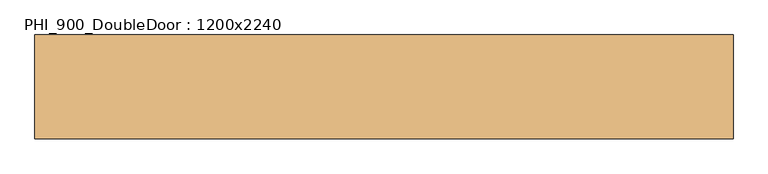
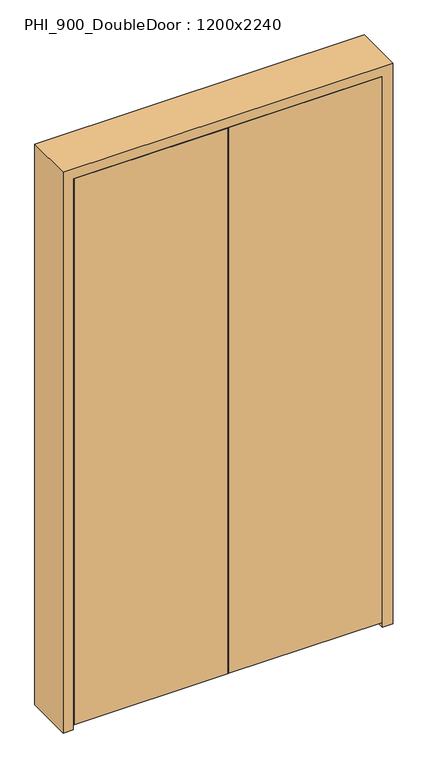
"""IFC4 building model written with IfcOpenShell, lengths in millimetres: door geometry, PHI_900_DoubleDoor : 1200x2240."""

from ifc_helpers import new_model, si_unit, frame, origin, place, context, project, spatial, polyline, outline, extrude, source, transform, mapped, element, save


def phi_900_doubledoor_1200x2240_0ed48594(model_context):
    return source(origin(), model_context, "Body", "SweptSolid", [
        extrude(outline(polyline([(2.0, -95.0), (2.0, -45.0), (598.0, -45.0), (598.0, -95.0), (2.0, -95.0)])), frame((0.0, 0.0, 20.0), z_axis=(0.0, 0.0, 1.0), x_axis=(1.0, 0.0, 0.0)), (0.0, 0.0, 1.0), 2238.0),
        extrude(outline(polyline([(-2.0, -95.0), (-598.0, -95.0), (-598.0, -45.0), (-2.0, -45.0), (-2.0, -95.0)])), frame((0.0, 0.0, 20.0), z_axis=(0.0, 0.0, 1.0), x_axis=(1.0, 0.0, 0.0)), (0.0, 0.0, 1.0), 2238.0),
        extrude(outline(polyline([(2300.0, -640.0), (0.0, -640.0), (0.0, -600.0), (2260.0, -600.0), (2260.0, 600.0), (0.0, 600.0), (0.0, 640.0), (2300.0, 640.0), (2300.0, -640.0)])), frame((0.0, -95.0, 0.0), z_axis=(0.0, 1.0, 0.0), x_axis=(0.0, 0.0, 1.0)), (0.0, 0.0, 1.0), 190.0),
        extrude(outline(polyline([(2260.0, -600.0), (0.0, -600.0), (0.0, -580.0), (2240.0, -580.0), (2240.0, 580.0), (0.0, 580.0), (0.0, 600.0), (2260.0, 600.0), (2260.0, -600.0)])), frame((0.0, -45.0, 0.0), z_axis=(0.0, 1.0, 0.0), x_axis=(0.0, 0.0, 1.0)), (0.0, 0.0, 1.0), 45.0),
    ])


if __name__ == "__main__":
    model = new_model("IFC4")
    model_context = context("Model", 3, world=origin())
    ifc_project = project(units=[si_unit("LENGTHUNIT", "METRE", prefix="MILLI")], contexts=[model_context])
    site = spatial("IfcSite", under=ifc_project)
    building = spatial("IfcBuilding", under=site)
    placement = place(None, origin())
    phi_900_doubledoor_1200x2240_shape = phi_900_doubledoor_1200x2240_0ed48594(model_context)
    element("IfcDoor", 1, ObjectType="PHI_900_DoubleDoor : 1200x2240", at=placement, inside=building, context=model_context, shape_type="MappedRepresentation", body=[
        mapped(phi_900_doubledoor_1200x2240_shape, transform((0.0, 0.0, 0.0), x_axis=(1.0, 0.0, 0.0), y_axis=(0.0, 1.0, 0.0), z_axis=(0.0, 0.0, 1.0))),
    ])
    save(model, "model.ifc")
